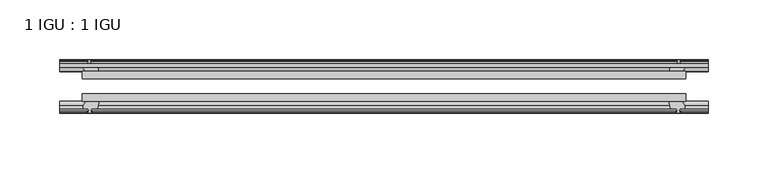
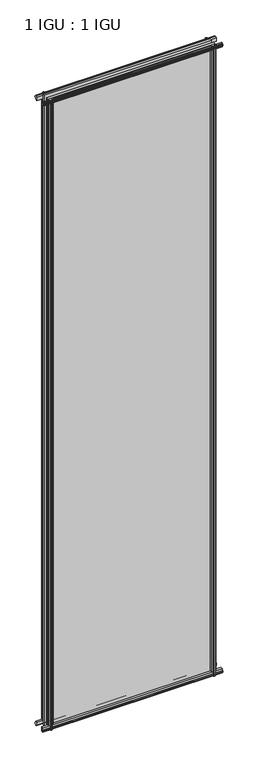
"""IFC4 building model written with IfcOpenShell, lengths in millimetres: plate geometry, 1 IGU : 1 IGU."""

from ifc_helpers import new_model, si_unit, frame, origin, place, context, project, spatial, polyline, outline, extrude, source, transform, mapped, element, save


def plate_1_igu_1_igu_7a7b426e(model_context):
    return source(origin(), model_context, "Body", "SweptSolid", [
        extrude(outline(polyline([(-253.519105, -38.6468937), (253.519105, -38.6468937), (253.519105, -44.9460938), (-253.519105, -44.9460938), (-253.519105, -38.6468937)])), frame((0.0, 0.0, -12.7), z_axis=(0.0, 0.0, 1.0), x_axis=(1.0, 0.0, 0.0)), (0.0, 0.0, 1.0), 2019.2999999),
        extrude(outline(polyline([(-253.519105, -19.5460937), (253.519105, -19.5460937), (253.519105, -25.8960938), (-253.519105, -25.8960938), (-253.519105, -19.5460937)])), frame((0.0, 0.0, -12.7), z_axis=(0.0, 0.0, 1.0), x_axis=(1.0, 0.0, 0.0)), (0.0, 0.0, 1.0), 2019.2999999),
        extrude(outline(polyline([(-44.9460937, 1.7177181), (-44.9460937, -9.1036578), (-48.3496937, -11.938), (-51.2960937, -11.938), (-51.2960937, -7.493), (-53.6762907, -7.112), (-53.2163575, -8.5275291), (-54.0175717, -8.5275291), (-54.7250937, -6.35), (-54.0175717, -4.1724709), (-53.2163575, -4.1724709), (-53.6762907, -5.588), (-51.2960937, -5.207), (-51.2960937, 0.0), (-44.9460937, 1.7177181)])), frame((-272.569105, 0.0, 0.0), z_axis=(1.0, 0.0, 0.0), x_axis=(0.0, 1.0, 0.0)), (0.0, 0.0, 1.0), 545.13821),
        extrude(outline(polyline([(-13.1960937, -12.4587), (-16.1424937, -12.4587), (-19.5460937, -9.6243578), (-19.5460937, 1.1970181), (-13.1960937, -0.5207), (-13.1960937, -5.7277), (-10.8158968, -6.1087), (-11.27583, -4.6931709), (-10.4746158, -4.6931709), (-9.7670937, -6.8707), (-10.4746158, -9.0482291), (-11.27583, -9.0482291), (-10.8158968, -7.6327), (-13.1960937, -8.0137), (-13.1960937, -12.4587)])), frame((-272.569105, 0.0, 0.0), z_axis=(1.0, 0.0, 0.0), x_axis=(0.0, 1.0, 0.0)), (0.0, 0.0, 1.0), 545.13821),
        extrude(outline(polyline([(-51.2960937, 2005.8379999), (-48.3496937, 2005.8379999), (-44.9460937, 2003.0036577), (-44.9460937, 1992.1822818), (-51.2960937, 1993.8999999), (-51.2960937, 1999.1069999), (-53.6762907, 1999.4879999), (-53.2163575, 1998.0724708), (-54.0175717, 1998.0724708), (-54.7250937, 2000.2499999), (-54.0175717, 2002.4275289), (-53.2163575, 2002.4275289), (-53.6762907, 2001.0119999), (-51.2960937, 2001.3929999), (-51.2960937, 2005.8379999)])), frame((-272.569105, 0.0, 0.0), z_axis=(1.0, 0.0, 0.0), x_axis=(0.0, 1.0, 0.0)), (0.0, 0.0, 1.0), 545.13821),
        extrude(outline(polyline([(-19.5460937, 1992.7029818), (-19.5460937, 2003.5243577), (-16.1424937, 2006.3586999), (-13.1960937, 2006.3586999), (-13.1960937, 2001.9136999), (-10.8158968, 2001.5326999), (-11.27583, 2002.9482289), (-10.4746158, 2002.9482289), (-9.7670937, 2000.7706999), (-10.4746158, 1998.5931708), (-11.27583, 1998.5931708), (-10.8158968, 2000.0086999), (-13.1960937, 1999.6276999), (-13.1960937, 1994.4206999), (-19.5460937, 1992.7029818)])), frame((-272.569105, 0.0, 0.0), z_axis=(1.0, 0.0, 0.0), x_axis=(0.0, 1.0, 0.0)), (0.0, 0.0, 1.0), 545.13821),
        extrude(outline(polyline([(239.6220869, -19.5460938), (241.339805, -13.1960938), (246.546805, -13.1960938), (246.927805, -10.8158968), (245.5122759, -11.27583), (245.5122759, -10.4746158), (247.689805, -9.7670938), (249.867334, -10.4746158), (249.867334, -11.27583), (248.451805, -10.8158968), (248.832805, -13.1960938), (253.277805, -13.1960938), (253.277805, -16.1424938), (250.4434628, -19.5460938), (239.6220869, -19.5460938)])), frame((0.0, 0.0, -12.7), z_axis=(0.0, 0.0, 1.0), x_axis=(1.0, 0.0, 0.0)), (0.0, 0.0, 1.0), 2019.3),
        extrude(outline(polyline([(239.1013869, -44.9460938), (249.9227628, -44.9460938), (252.757105, -48.3496938), (252.757105, -51.2960938), (248.312105, -51.2960938), (247.931105, -53.6762907), (249.346634, -53.2163575), (249.346634, -54.0175717), (247.169105, -54.7250938), (244.9915759, -54.0175717), (244.9915759, -53.2163575), (246.407105, -53.6762907), (246.026105, -51.2960938), (240.819105, -51.2960938), (239.1013869, -44.9460938)])), frame((0.0, 0.0, -12.7), z_axis=(0.0, 0.0, 1.0), x_axis=(1.0, 0.0, 0.0)), (0.0, 0.0, 1.0), 2019.3),
        extrude(outline(polyline([(-247.689805, -9.7670937), (-245.5122759, -10.4746158), (-245.5122759, -11.27583), (-246.927805, -10.8158968), (-246.546805, -13.1960937), (-241.339805, -13.1960937), (-239.6220869, -19.5460937), (-250.4434628, -19.5460937), (-253.277805, -16.1424937), (-253.277805, -13.1960937), (-248.832805, -13.1960937), (-248.451805, -10.8158968), (-249.867334, -11.27583), (-249.867334, -10.4746158), (-247.689805, -9.7670937)])), frame((0.0, 0.0, -12.7), z_axis=(0.0, 0.0, 1.0), x_axis=(1.0, 0.0, 0.0)), (0.0, 0.0, 1.0), 2019.3),
        extrude(outline(polyline([(-252.757105, -48.3496937), (-249.9227628, -44.9460937), (-239.1013869, -44.9460937), (-240.819105, -51.2960937), (-246.026105, -51.2960937), (-246.407105, -53.6762907), (-244.9915759, -53.2163575), (-244.9915759, -54.0175717), (-247.169105, -54.7250937), (-249.346634, -54.0175717), (-249.346634, -53.2163575), (-247.931105, -53.6762907), (-248.312105, -51.2960937), (-252.757105, -51.2960937), (-252.757105, -48.3496937)])), frame((0.0, 0.0, -12.7), z_axis=(0.0, 0.0, 1.0), x_axis=(1.0, 0.0, 0.0)), (0.0, 0.0, 1.0), 2019.3),
    ])


if __name__ == "__main__":
    model = new_model("IFC4")
    model_context = context("Model", 3, world=origin())
    ifc_project = project(units=[si_unit("LENGTHUNIT", "METRE", prefix="MILLI")], contexts=[model_context])
    site = spatial("IfcSite", under=ifc_project)
    building = spatial("IfcBuilding", under=site)
    placement = place(None, origin())
    plate_1_igu_1_igu_shape = plate_1_igu_1_igu_7a7b426e(model_context)
    element("IfcPlate", 1, ObjectType="1 IGU : 1 IGU", at=placement, inside=building, context=model_context, shape_type="MappedRepresentation", body=[
        mapped(plate_1_igu_1_igu_shape, transform((0.0, 0.0, 0.0), x_axis=(1.0, 0.0, 0.0), y_axis=(0.0, 1.0, 0.0), z_axis=(0.0, 0.0, 1.0))),
    ])
    save(model, "model.ifc")
